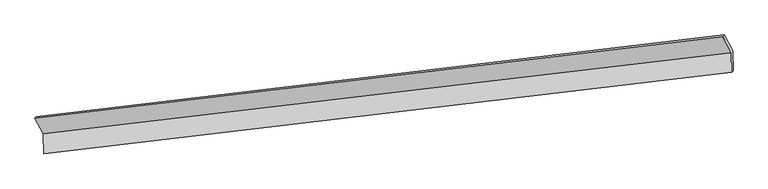
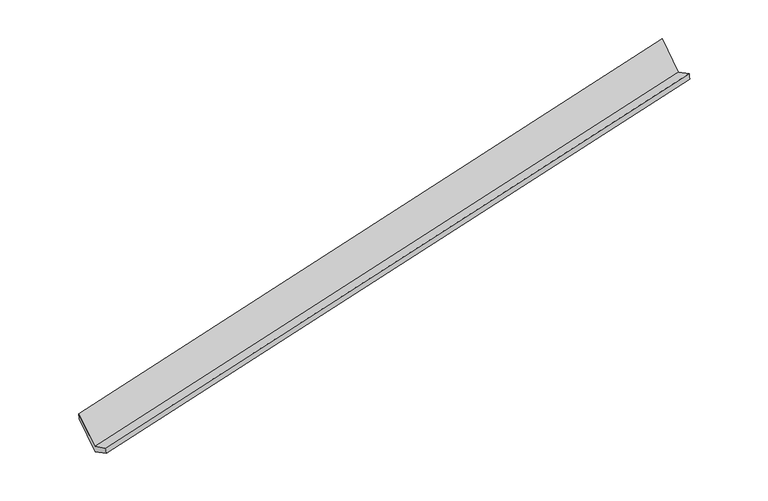
"""IFC4 building model written with IfcOpenShell, lengths in millimetres: proxy geometry."""

import ifcopenshell
import ifcopenshell.guid

model = None  # the IFC model being written
_history = None  # IfcOwnerHistory: only IFC2X3 demands one
_inside = {}  # id of a spatial element -> (the spatial element, [elements in it])
_under = {}  # id of a project, library or spatial element -> (it, [spatial elements below it])
_declared = {}  # id of a project -> (the project, [libraries it declares])
_typed = {}  # id of a type object -> (the type object, [elements of that type])
_made_of = {}  # id of a material, layer set ... -> (it, [elements and type objects made of it])


def new_model(schema):
    """Start an empty IFC model of exactly this schema.

    Asked for "IFC4X3", IfcOpenShell would pick the latest addendum, in which some entities
    have other attributes; the version numbers below select the first issue.
    IFC2X3 requires an IfcOwnerHistory on every rooted entity: one is made here for all.
    """
    global model, _history
    if schema == "IFC4X3":
        model = ifcopenshell.file(schema_version=(4, 3, 0, 0))
    else:
        model = ifcopenshell.file(schema=schema)
    _inside.clear()
    _under.clear()
    _declared.clear()
    _typed.clear()
    _made_of.clear()
    _history = None
    if model.schema == "IFC2X3":
        org = make("IfcOrganization", Name="unknown")
        user = make(
            "IfcPersonAndOrganization",
            ThePerson=make("IfcPerson", FamilyName="unknown"),
            TheOrganization=org,
        )
        app = make(
            "IfcApplication",
            ApplicationDeveloper=org,
            Version="unknown",
            ApplicationFullName="unknown",
            ApplicationIdentifier="unknown",
        )
        _history = make(
            "IfcOwnerHistory",
            OwningUser=user,
            OwningApplication=app,
            ChangeAction="ADDED",
            CreationDate=0,
        )
    return model


def make(cls, **values):
    """One entity of the class cls with the attributes given. An attribute that is None is left unset."""
    return model.create_entity(
        cls, **{name: value for name, value in values.items() if value is not None}
    )


def rooted(cls, **values):
    """An entity with a GlobalId (a new one), such as an element, a storey or a relation."""
    return make(cls, GlobalId=ifcopenshell.guid.new(), OwnerHistory=_history, **values)


def si_unit(unit_type, name, prefix=None):
    """IfcSIUnit, for example si_unit("LENGTHUNIT", "METRE", prefix="MILLI")."""
    return make("IfcSIUnit", UnitType=unit_type, Prefix=prefix, Name=name)


def assignment(units):
    """IfcUnitAssignment: the units of a project."""
    return None if units is None else make("IfcUnitAssignment", Units=units)


def point(xyz):
    """IfcCartesianPoint."""
    return None if xyz is None else make("IfcCartesianPoint", Coordinates=xyz)


def direction(xyz):
    """IfcDirection."""
    return None if xyz is None else make("IfcDirection", DirectionRatios=xyz)


def frame(location, z_axis=None, x_axis=None):
    """IfcAxis2Placement3D, a coordinate frame: its origin and axes. An axis left out is left unset."""
    return make(
        "IfcAxis2Placement3D",
        Location=point(location),
        Axis=direction(z_axis),
        RefDirection=direction(x_axis),
    )


def origin():
    """The frame at (0, 0, 0) with its axes left unset."""
    return frame((0.0, 0.0, 0.0))


def place(relative_to, where):
    """IfcLocalPlacement: puts the frame where relative to a parent placement (None: the world)."""
    return make(
        "IfcLocalPlacement", PlacementRelTo=relative_to, RelativePlacement=where
    )


def context(
    kind, dimensions, precision=None, world=None, true_north=None, identifier=None
):
    """IfcGeometricRepresentationContext, for example the 3D "Model" context."""
    return make(
        "IfcGeometricRepresentationContext",
        ContextIdentifier=identifier,
        ContextType=kind,
        CoordinateSpaceDimension=dimensions,
        Precision=precision,
        WorldCoordinateSystem=world,
        TrueNorth=true_north,
    )


def project(units=None, contexts=None):
    """IfcProject with its units and contexts."""
    return rooted(
        "IfcProject",
        Name="project",
        RepresentationContexts=contexts,
        UnitsInContext=assignment(units),
    )


def spatial(cls, under=None, at=None, **own):
    """A site, building, storey or space (cls), placed at a placement, below another one or the project."""
    s = rooted(cls, ObjectPlacement=at, **own)
    if under is not None:
        _under.setdefault(under.id(), (under, []))[1].append(s)
    return s


def shape(context_of_items, identifier, shape_type, items):
    """IfcShapeRepresentation: the items that make up one representation, for example the "Body"."""
    return make(
        "IfcShapeRepresentation",
        ContextOfItems=context_of_items,
        RepresentationIdentifier=identifier,
        RepresentationType=shape_type,
        Items=items,
    )


def source(mapping_origin, context_of_items, identifier, shape_type, items):
    """IfcRepresentationMap: a shape defined once, which mapped items show again and again."""
    return make(
        "IfcRepresentationMap",
        MappingOrigin=mapping_origin,
        MappedRepresentation=shape(context_of_items, identifier, shape_type, items),
    )


def transform(
    local_origin,
    x_axis=None,
    y_axis=None,
    z_axis=None,
    scale=None,
    scale2=None,
    scale3=None,
    uniform=True,
):
    """IfcCartesianTransformationOperator3D, or its non-uniform kind. x_axis, y_axis, z_axis: its Axis1, 2, 3."""
    if uniform:
        return make(
            "IfcCartesianTransformationOperator3D",
            Axis1=direction(x_axis),
            Axis2=direction(y_axis),
            LocalOrigin=point(local_origin),
            Scale=scale,
            Axis3=direction(z_axis),
        )
    return make(
        "IfcCartesianTransformationOperator3DnonUniform",
        Axis1=direction(x_axis),
        Axis2=direction(y_axis),
        LocalOrigin=point(local_origin),
        Scale=scale,
        Axis3=direction(z_axis),
        Scale2=scale2,
        Scale3=scale3,
    )


def mapped(mapping_source, mapping_target):
    """IfcMappedItem: shows the shape of a source again, moved by a transform."""
    return make(
        "IfcMappedItem", MappingSource=mapping_source, MappingTarget=mapping_target
    )


def made_of(thing, what):
    """Note that an element or type object is made of a material, layer set ...; save() writes the relation."""
    if what is not None:
        _made_of.setdefault(what.id(), (what, []))[1].append(thing)
    return thing


def element(
    cls,
    number,
    at=None,
    inside=None,
    cuts=None,
    type_object=None,
    material=None,
    context=None,
    identifier="Body",
    shape_type=None,
    held_by="IfcProductDefinitionShape",
    body=None,
    shapes=None,
    **own,
):
    """One element of the class cls, such as IfcWall. Its Tag is "e" and its number.

    at: its placement. inside: the storey or other place that contains it. cuts: it is an
    opening in that element (IfcRelVoidsElement). A single representation is given by context,
    identifier, shape_type and body (its items); several are given by shapes. held_by: the class
    of the entity that holds the representations. save() writes the other relations.
    """
    e = rooted(cls, Tag="e%d" % number, ObjectPlacement=at, **own)
    if body is not None:
        shapes = [shape(context, identifier, shape_type, body)]
    if shapes is not None:
        e.Representation = make(held_by, Representations=shapes)
    if inside is not None:
        _inside.setdefault(inside.id(), (inside, []))[1].append(e)
    if cuts is not None:
        rooted(
            "IfcRelVoidsElement", RelatingBuildingElement=cuts, RelatedOpeningElement=e
        )
    if type_object is not None:
        _typed.setdefault(type_object.id(), (type_object, []))[1].append(e)
    return made_of(e, material)


def aggregate(whole, parts):
    """IfcRelAggregates: a whole, such as a stair, and the parts it consists of."""
    return rooted("IfcRelAggregates", RelatingObject=whole, RelatedObjects=parts)


def save(model, path):
    """Write the relations noted so far, then the file.

    IfcRelAggregates (storeys below a building ...), IfcRelContainedInSpatialStructure (elements
    in a storey), IfcRelDefinesByType, IfcRelAssociatesMaterial and IfcRelDeclares: one each for
    every whole, place, type object, material and project.
    """
    for whole, parts in _under.values():
        aggregate(whole, parts)
    for where, things in _inside.values():
        rooted(
            "IfcRelContainedInSpatialStructure",
            RelatedElements=things,
            RelatingStructure=where,
        )
    for kind, things in _typed.values():
        rooted("IfcRelDefinesByType", RelatedObjects=things, RelatingType=kind)
    for what, things in _made_of.values():
        rooted("IfcRelAssociatesMaterial", RelatedObjects=things, RelatingMaterial=what)
    for by, libraries in _declared.values():
        rooted("IfcRelDeclares", RelatingContext=by, RelatedDefinitions=libraries)
    model.write(path)


def plane_surface(at):
    """IfcPlane: the flat surface through the origin of the frame at, square to its z axis."""
    return make("IfcPlane", Position=at)


def spline_surface(u_degree, v_degree, points, u_multiplicities, v_multiplicities, u_knots, v_knots, weights=None):
    """IfcBSplineSurfaceWithKnots; with weights, IfcRationalBSplineSurfaceWithKnots. points: one row for each step in u."""
    own = dict(
        UDegree=u_degree,
        VDegree=v_degree,
        ControlPointsList=[[point(p) for p in row] for row in points],
        SurfaceForm="UNSPECIFIED",
        UClosed=False,
        VClosed=False,
        SelfIntersect=False,
        UMultiplicities=u_multiplicities,
        VMultiplicities=v_multiplicities,
        UKnots=u_knots,
        VKnots=v_knots,
        KnotSpec="UNSPECIFIED",
    )
    if weights is None:
        return make("IfcBSplineSurfaceWithKnots", **own)
    return make("IfcRationalBSplineSurfaceWithKnots", WeightsData=weights, **own)


def advanced_brep(points, edges, surfaces, faces):
    """IfcAdvancedBrep: a solid bounded by faces that lie on surfaces and meet in shared edges.

    An edge is (start, end): straight between two places in points (the first is 0);
    or (start, end, curve); or (start, end, curve, False) where it runs against its curve.
    A face is (place in surfaces, loops), or (place, loops, False) where it looks against
    its surface's normal. A loop lists edges by number (the first is 1), with a minus sign
    where the edge is run from its end to its start. The first loop is the outer one.
    """
    corners = [point(p) for p in points]
    vertices = [make("IfcVertexPoint", VertexGeometry=c) for c in corners]
    made = []
    for start, end, *more in edges:
        made.append(
            make(
                "IfcEdgeCurve",
                EdgeStart=vertices[start],
                EdgeEnd=vertices[end],
                EdgeGeometry=more[0] if more else make("IfcPolyline", Points=[corners[start], corners[end]]),
                SameSense=more[1] if len(more) > 1 else True,
            )
        )
    hull = []
    for where, loops, *sense in faces:
        bounds = []
        for j, loop in enumerate(loops):
            ring = [make("IfcOrientedEdge", EdgeElement=made[abs(k) - 1], Orientation=k > 0) for k in loop]
            bounds.append(
                make(
                    "IfcFaceOuterBound" if j == 0 else "IfcFaceBound",
                    Bound=make("IfcEdgeLoop", EdgeList=ring),
                    Orientation=True,
                )
            )
        hull.append(make("IfcAdvancedFace", Bounds=bounds, FaceSurface=surfaces[where], SameSense=sense[0] if sense else True))
    return make("IfcAdvancedBrep", Outer=make("IfcClosedShell", CfsFaces=hull))


def generic_models_dcf37c4b(model_context):
    return source(origin(), model_context, "Body", "AdvancedBrep", [
        advanced_brep(
        [(-9758.2964385, -2313.5072944, 260.312649), (-9754.1594751, -2711.1791585, 459.4566715), (4124.9486715, -1073.5125445, 3385.5669876), (4120.7652011, -671.3701241, 3184.1842234), (-9725.080412, -2701.2060798, 317.9713909), (4153.7951995, -1041.1866847, 3232.8879989), (-9729.4342501, -2282.6868047, 108.3875116), (4149.6273895, -640.5496345, 3032.2590861), (-9903.0936023, -1965.1265927, 746.1329093), (3972.4157275, -316.4935312, 3683.0499616), (-9929.6142515, -2000.2289113, 889.4589948), (3945.8950782, -351.5958499, 3826.3760471)],
        [
            (0, 1),
            (1, 2),
            (2, 3),
            (3, 0),
            (1, 4),
            (4, 5),
            (5, 2),
            (4, 6),
            (6, 7),
            (7, 5),
            (6, 8),
            (8, 9),
            (9, 7),
            (8, 10),
            (10, 11),
            (11, 9),
            (10, 0),
            (3, 11),
        ],
        [
            plane_surface(frame((-9756.2279568, -2512.3432264, 359.8846602), z_axis=(-0.2345870310215965, 0.4333205847614553, 0.8701736583570334), x_axis=(0.009301401036268758, -0.8941112474362644, 0.44774832344379556))),
            spline_surface(1, 1, [[(-9754.1594751, -2711.1791585, 459.4566715), (4124.9486715, -1073.5125445, 3385.5669876)], [(-9725.080412, -2701.2060798, 317.9713909), (4153.7951995, -1041.1866847, 3232.8879989)]], [2, 2], [2, 2], [0.0, 1.0], [0.0, 1.0]),
            plane_surface(frame((-9727.257331, -2491.9464423, 213.1794512), z_axis=(0.23458703102159675, -0.43332058476151664, -0.8701736583570029), x_axis=(-0.009301401036220897, 0.8941112474362385, -0.44774832344384846))),
            plane_surface(frame((-9816.2639262, -2123.9066987, 427.2602104), z_axis=(-0.011342593169006002, 0.8938694877742701, -0.44818376187270154), x_axis=(-0.2368206541410195, 0.4330594131405752, 0.8696985238935158))),
            plane_surface(frame((-9916.3539269, -1982.677752, 817.795952), z_axis=(-0.158538817406845, 0.9653885522213302, 0.20709994354234668), x_axis=(-0.17689128464582463, -0.23413055131510488, 0.9559771746005419))),
            plane_surface(frame((-9843.955345, -2156.8681029, 574.8858219), z_axis=(0.011342593169029191, -0.8938694877743129, 0.448183761872616), x_axis=(0.2368206541410178, -0.43305941314048735, -0.8696985238935601))),
            plane_surface(frame((4077.9078779, -682.4513948, 3390.7207174), z_axis=(0.9715088582771569, 0.11412546559979128, 0.20771595121859543), x_axis=(-0.17689128464582463, -0.23413055131510488, 0.9559771746005419))),
            plane_surface(frame((-9799.9464049, -2328.9891402, 463.6200212), z_axis=(-0.9715088582771575, -0.11412546559982092, -0.20771595121857678), x_axis=(-0.23682065414101414, 0.43305941314046603, 0.8696985238935716))),
        ],
        [
            (0, [[1, 2, 3, 4]]),
            (1, [[5, 6, 7, -2]]),
            (2, [[8, 9, 10, -6]]),
            (3, [[11, 12, 13, -9]]),
            (4, [[14, 15, 16, -12]]),
            (5, [[17, -4, 18, -15]]),
            (6, [[-16, -18, -3, -7, -10, -13]]),
            (7, [[-17, -14, -11, -8, -5, -1]]),
        ],
    ),
    ])


if __name__ == "__main__":
    model = new_model("IFC4")
    model_context = context("Model", 3, world=origin())
    ifc_project = project(units=[si_unit("LENGTHUNIT", "METRE", prefix="MILLI")], contexts=[model_context])
    site = spatial("IfcSite", under=ifc_project)
    building = spatial("IfcBuilding", under=site)
    placement = place(None, origin())
    generic_models_shape = generic_models_dcf37c4b(model_context)
    element("IfcBuildingElementProxy", 1, Name="Generic Models", at=placement, inside=building, context=model_context, shape_type="MappedRepresentation", body=[
        mapped(generic_models_shape, transform((0.0, 0.0, 0.0), x_axis=(1.0, 0.0, 0.0), y_axis=(0.0, 1.0, 0.0), z_axis=(0.0, 0.0, 1.0))),
    ])
    save(model, "model.ifc")
